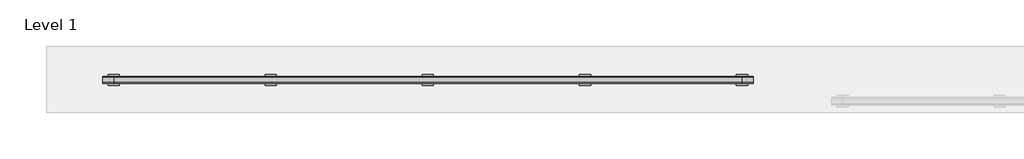
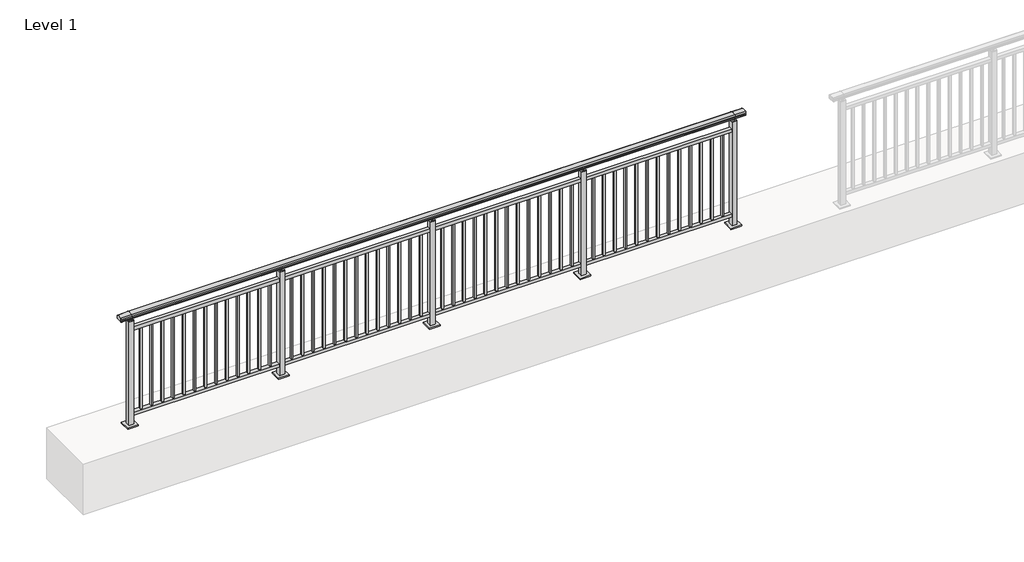
# One storey, part 5 of 64: 1 railing.
"""IFC4 building model written with IfcOpenShell, lengths in millimetres."""

from ifc_helpers import new_model, si_unit, frame, origin, origin_with_axes, place, context, project, spatial, polyline, circle_curve, outline, extrude, element, save
from ifc_brep_helpers import plane_surface, cylinder_surface, revolved_surface, advanced_brep

model = new_model("IFC4")

# Units and contexts
model_context = context("Model", 3, world=origin())
ifc_project = project(units=[si_unit("LENGTHUNIT", "METRE", prefix="MILLI")], contexts=[model_context])

# Site, building, storey
site = spatial("IfcSite", under=ifc_project)
building = spatial("IfcBuilding", under=site)
storey = spatial("IfcBuildingStorey", under=building, Name="Level 1", Elevation=0.0)

# Railing
placement = place(None, origin())
element("IfcRailing", 1, at=placement, inside=storey, context=model_context, shape_type="SolidModel", body=[
    advanced_brep(
    [(-100.0, 215.3633756, 1095.6691182), (-100.0, 220.1846828, 1081.1334092), (-100.0, 219.2413744, 1069.2539035), (-100.0, 221.1364177, 1061.4863007), (-100.0, 219.4894799, 1060.384124), (-100.0, 219.4894799, 1062.0), (-100.0, 160.8798858, 1062.0), (-100.0, 160.8798858, 1060.384124), (-100.0, 159.232948, 1061.4863007), (-100.0, 161.1279912, 1069.2539035), (-100.0, 160.1846828, 1081.1334092), (-100.0, 165.00599, 1095.6691182), (5700.0, 215.3633756, 1095.6691182), (5700.0, 165.00599, 1095.6691182), (5700.0, 160.1846828, 1081.1334092), (5700.0, 161.1279912, 1069.2539035), (5700.0, 159.232948, 1061.4863007), (5700.0, 160.8798858, 1060.384124), (5700.0, 160.8798858, 1062.0), (5700.0, 219.4894799, 1062.0), (5700.0, 219.4894799, 1060.384124), (5700.0, 221.1364177, 1061.4863007), (5700.0, 219.2413744, 1069.2539035), (5700.0, 220.1846828, 1081.1334092), (0.0, 215.3633756, 1095.6691182), (0.0, 220.1846828, 1081.1334092), (0.0, 219.2413744, 1069.2539035), (0.0, 221.1364177, 1061.4863007), (0.0, 219.4894799, 1060.384124), (0.0, 219.4894799, 1062.0), (0.0, 160.8798858, 1062.0), (0.0, 160.8798858, 1060.384124), (0.0, 159.232948, 1061.4863007), (0.0, 161.1279912, 1069.2539035), (0.0, 160.1846828, 1081.1334092), (0.0, 165.00599, 1095.6691182), (5600.0, 215.3633756, 1095.6691182), (5600.0, 220.1846828, 1081.1334092), (5600.0, 219.2413744, 1069.2539035), (5600.0, 221.1364177, 1061.4863007), (5600.0, 219.4894799, 1060.384124), (5600.0, 219.4894799, 1062.0), (5600.0, 160.8798858, 1062.0), (5600.0, 160.8798858, 1060.384124), (5600.0, 159.232948, 1061.4863007), (5600.0, 161.1279912, 1069.2539035), (5600.0, 160.1846828, 1081.1334092), (5600.0, 165.00599, 1095.6691182)],
    [
        (0, 1, circle_curve(frame((-100.0, 212.1223845, 1086.526686), z_axis=(-1.0, 0.0, 0.0), x_axis=(0.0, -1.0, 0.0)), 9.6999015)),
        (1, 2, circle_curve(frame((-100.0, 237.7252545, 1073.7633709), z_axis=(1.0, 0.0, 0.0), x_axis=(0.0, -1.0, 0.0)), 19.0260117)),
        (2, 3),
        (3, 4, circle_curve(frame((-100.0, 220.2772073, 1060.9886194), z_axis=(-1.0, 0.0, 0.0), x_axis=(0.0, -1.0, 0.0)), 0.9929396)),
        (4, 5),
        (5, 6),
        (6, 7),
        (7, 8, circle_curve(frame((-100.0, 160.0921584, 1060.9886194), z_axis=(-1.0, 0.0, 0.0), x_axis=(0.0, 1.0, 0.0)), 0.9929396)),
        (8, 9),
        (9, 10, circle_curve(frame((-100.0, 142.6441111, 1073.7633709), z_axis=(1.0, 0.0, 0.0), x_axis=(0.0, 1.0, 0.0)), 19.0260117)),
        (10, 11, circle_curve(frame((-100.0, 168.2469812, 1086.526686), z_axis=(-1.0, 0.0, 0.0), x_axis=(0.0, 1.0, 0.0)), 9.6999015)),
        (11, 0, circle_curve(frame((-100.0, 190.1846828, 1024.6431628), z_axis=(-1.0, 0.0, 0.0), x_axis=(0.0, 1.0, 0.0)), 75.3568372)),
        (12, 13, circle_curve(frame((5700.0, 190.1846828, 1024.6431628), z_axis=(1.0, 0.0, 0.0), x_axis=(0.0, 1.0, 0.0)), 75.3568372)),
        (13, 14, circle_curve(frame((5700.0, 168.2469812, 1086.526686), z_axis=(1.0, 0.0, 0.0), x_axis=(0.0, 1.0, 0.0)), 9.6999015)),
        (14, 15, circle_curve(frame((5700.0, 142.6441111, 1073.7633709), z_axis=(-1.0, 0.0, 0.0), x_axis=(0.0, 1.0, 0.0)), 19.0260117)),
        (15, 16),
        (16, 17, circle_curve(frame((5700.0, 160.0921584, 1060.9886194), z_axis=(1.0, 0.0, 0.0), x_axis=(0.0, 1.0, 0.0)), 0.9929396)),
        (17, 18),
        (18, 19),
        (19, 20),
        (20, 21, circle_curve(frame((5700.0, 220.2772073, 1060.9886194), z_axis=(1.0, 0.0, 0.0), x_axis=(0.0, -1.0, 0.0)), 0.9929396)),
        (21, 22),
        (22, 23, circle_curve(frame((5700.0, 237.7252545, 1073.7633709), z_axis=(-1.0, 0.0, 0.0), x_axis=(0.0, -1.0, 0.0)), 19.0260117)),
        (23, 12, circle_curve(frame((5700.0, 212.1223845, 1086.526686), z_axis=(1.0, 0.0, 0.0), x_axis=(0.0, -1.0, 0.0)), 9.6999015)),
        (0, 24),
        (24, 25, circle_curve(frame((0.0, 212.1223845, 1086.526686), z_axis=(-1.0, 0.0, 0.0), x_axis=(0.0, -1.0, 0.0)), 9.6999015)),
        (25, 1),
        (25, 26, circle_curve(frame((0.0, 237.7252545, 1073.7633709), z_axis=(1.0, 0.0, 0.0), x_axis=(0.0, -1.0, 0.0)), 19.0260117)),
        (26, 2),
        (26, 27),
        (27, 3),
        (27, 28, circle_curve(frame((0.0, 220.2772073, 1060.9886194), z_axis=(-1.0, 0.0, 0.0), x_axis=(0.0, -1.0, 0.0)), 0.9929396)),
        (28, 4),
        (28, 29),
        (29, 5),
        (29, 30),
        (30, 6),
        (30, 31),
        (31, 7),
        (31, 32, circle_curve(frame((0.0, 160.0921584, 1060.9886194), z_axis=(-1.0, 0.0, 0.0), x_axis=(0.0, 1.0, 0.0)), 0.9929396)),
        (32, 8),
        (32, 33),
        (33, 9),
        (33, 34, circle_curve(frame((0.0, 142.6441111, 1073.7633709), z_axis=(1.0, 0.0, 0.0), x_axis=(0.0, 1.0, 0.0)), 19.0260117)),
        (34, 10),
        (34, 35, circle_curve(frame((0.0, 168.2469812, 1086.526686), z_axis=(-1.0, 0.0, 0.0), x_axis=(0.0, 1.0, 0.0)), 9.6999015)),
        (35, 11),
        (35, 24, circle_curve(frame((0.0, 190.1846828, 1024.6431628), z_axis=(-1.0, 0.0, 0.0), x_axis=(0.0, 1.0, 0.0)), 75.3568372)),
        (24, 36),
        (36, 37, circle_curve(frame((5600.0, 212.1223845, 1086.526686), z_axis=(-1.0, 0.0, 0.0), x_axis=(0.0, -1.0, 0.0)), 9.6999015)),
        (37, 25),
        (37, 38, circle_curve(frame((5600.0, 237.7252545, 1073.7633709), z_axis=(1.0, 0.0, 0.0), x_axis=(0.0, -1.0, 0.0)), 19.0260117)),
        (38, 26),
        (38, 39),
        (39, 27),
        (39, 40, circle_curve(frame((5600.0, 220.2772073, 1060.9886194), z_axis=(-1.0, 0.0, 0.0), x_axis=(0.0, -1.0, 0.0)), 0.9929396)),
        (40, 28),
        (40, 41),
        (41, 29),
        (41, 42),
        (42, 30),
        (42, 43),
        (43, 31),
        (43, 44, circle_curve(frame((5600.0, 160.0921584, 1060.9886194), z_axis=(-1.0, 0.0, 0.0), x_axis=(0.0, 1.0, 0.0)), 0.9929396)),
        (44, 32),
        (44, 45),
        (45, 33),
        (45, 46, circle_curve(frame((5600.0, 142.6441111, 1073.7633709), z_axis=(1.0, 0.0, 0.0), x_axis=(0.0, 1.0, 0.0)), 19.0260117)),
        (46, 34),
        (46, 47, circle_curve(frame((5600.0, 168.2469812, 1086.526686), z_axis=(-1.0, 0.0, 0.0), x_axis=(0.0, 1.0, 0.0)), 9.6999015)),
        (47, 35),
        (47, 36, circle_curve(frame((5600.0, 190.1846828, 1024.6431628), z_axis=(-1.0, 0.0, 0.0), x_axis=(0.0, 1.0, 0.0)), 75.3568372)),
        (36, 12),
        (23, 37),
        (22, 38),
        (21, 39),
        (20, 40),
        (19, 41),
        (18, 42),
        (17, 43),
        (16, 44),
        (15, 45),
        (14, 46),
        (13, 47),
    ],
    [
        plane_surface(frame((-100.0, 190.1846828, 1100.0), z_axis=(-1.0, 0.0, 0.0), x_axis=(0.0, 1.0, 0.0))),
        plane_surface(frame((5700.0, 190.1846828, 1100.0), z_axis=(1.0, 0.0, 0.0), x_axis=(0.0, 1.0, 0.0))),
        cylinder_surface(frame((-100.0, 212.1223845, 1086.526686), z_axis=(-1.0, 0.0, 0.0), x_axis=(0.0, -1.0, 0.0)), 9.6999015),
        revolved_surface(polyline([(0.0, 218.6992428, 1073.7633709), (-100.0, 218.6992428, 1073.7633709)]), (-100.0, 237.7252545, 1073.7633709), (1.0, 0.0, 0.0)),
        plane_surface(frame((-100.0, 219.2413744, 1069.2539035), z_axis=(0.0, 0.9715057689301543, 0.2370159086125439), x_axis=(1.0, 0.0, 0.0))),
        cylinder_surface(frame((-100.0, 220.2772073, 1060.9886194), z_axis=(-1.0, 0.0, 0.0), x_axis=(0.0, -1.0, 0.0)), 0.9929396),
        plane_surface(frame((-100.0, 219.4894799, 1060.384124), z_axis=(0.0, -1.0, 0.0), x_axis=(1.0, 0.0, 0.0))),
        plane_surface(frame((-100.0, 219.4894799, 1062.0), z_axis=(0.0, 0.0, -1.0), x_axis=(1.0, 0.0, 0.0))),
        plane_surface(frame((-100.0, 160.8798858, 1062.0), z_axis=(0.0, 1.0, 0.0), x_axis=(1.0, 0.0, 0.0))),
        cylinder_surface(frame((-100.0, 160.0921584, 1060.9886194), z_axis=(-1.0, 0.0, 0.0), x_axis=(0.0, 1.0, 0.0)), 0.9929396),
        plane_surface(frame((-100.0, 159.232948, 1061.4863007), z_axis=(0.0, -0.9715057689301543, 0.2370159086125439), x_axis=(1.0, 0.0, 0.0))),
        revolved_surface(polyline([(0.0, 161.6701228, 1073.7633709), (-100.0, 161.6701228, 1073.7633709)]), (-100.0, 142.6441111, 1073.7633709), (1.0, 0.0, 0.0)),
        cylinder_surface(frame((-100.0, 168.2469812, 1086.526686), z_axis=(-1.0, 0.0, 0.0), x_axis=(0.0, 1.0, 0.0)), 9.6999015),
        cylinder_surface(frame((-100.0, 190.1846828, 1024.6431628), z_axis=(-1.0, 0.0, 0.0), x_axis=(0.0, 1.0, 0.0)), 75.3568372),
        cylinder_surface(frame((0.0, 212.1223845, 1086.526686), z_axis=(-1.0, 0.0, 0.0), x_axis=(0.0, -1.0, 0.0)), 9.6999015),
        revolved_surface(polyline([(5600.0, 218.6992428, 1073.7633709), (0.0, 218.6992428, 1073.7633709)]), (0.0, 237.7252545, 1073.7633709), (1.0, 0.0, 0.0)),
        plane_surface(frame((0.0, 219.2413744, 1069.2539035), z_axis=(0.0, 0.9715057689301543, 0.2370159086125439), x_axis=(1.0, 0.0, 0.0))),
        cylinder_surface(frame((0.0, 220.2772073, 1060.9886194), z_axis=(-1.0, 0.0, 0.0), x_axis=(0.0, -1.0, 0.0)), 0.9929396),
        plane_surface(frame((0.0, 219.4894799, 1060.384124), z_axis=(0.0, -1.0, 0.0), x_axis=(1.0, 0.0, 0.0))),
        plane_surface(frame((0.0, 219.4894799, 1062.0), z_axis=(0.0, 0.0, -1.0), x_axis=(1.0, 0.0, 0.0))),
        plane_surface(frame((0.0, 160.8798858, 1062.0), z_axis=(0.0, 1.0, 0.0), x_axis=(1.0, 0.0, 0.0))),
        cylinder_surface(frame((0.0, 160.0921584, 1060.9886194), z_axis=(-1.0, 0.0, 0.0), x_axis=(0.0, 1.0, 0.0)), 0.9929396),
        plane_surface(frame((0.0, 159.232948, 1061.4863007), z_axis=(0.0, -0.9715057689301543, 0.2370159086125439), x_axis=(1.0, 0.0, 0.0))),
        revolved_surface(polyline([(5600.0, 161.6701228, 1073.7633709), (0.0, 161.6701228, 1073.7633709)]), (0.0, 142.6441111, 1073.7633709), (1.0, 0.0, 0.0)),
        cylinder_surface(frame((0.0, 168.2469812, 1086.526686), z_axis=(-1.0, 0.0, 0.0), x_axis=(0.0, 1.0, 0.0)), 9.6999015),
        cylinder_surface(frame((0.0, 190.1846828, 1024.6431628), z_axis=(-1.0, 0.0, 0.0), x_axis=(0.0, 1.0, 0.0)), 75.3568372),
        cylinder_surface(frame((5600.0, 212.1223845, 1086.526686), z_axis=(-1.0, 0.0, 0.0), x_axis=(0.0, -1.0, 0.0)), 9.6999015),
        revolved_surface(polyline([(5700.0, 218.6992428, 1073.7633709), (5600.0, 218.6992428, 1073.7633709)]), (5600.0, 237.7252545, 1073.7633709), (1.0, 0.0, 0.0)),
        plane_surface(frame((5600.0, 219.2413744, 1069.2539035), z_axis=(0.0, 0.9715057689301543, 0.2370159086125439), x_axis=(1.0, 0.0, 0.0))),
        cylinder_surface(frame((5600.0, 220.2772073, 1060.9886194), z_axis=(-1.0, 0.0, 0.0), x_axis=(0.0, -1.0, 0.0)), 0.9929396),
        plane_surface(frame((5600.0, 219.4894799, 1060.384124), z_axis=(0.0, -1.0, 0.0), x_axis=(1.0, 0.0, 0.0))),
        plane_surface(frame((5600.0, 219.4894799, 1062.0), z_axis=(0.0, 0.0, -1.0), x_axis=(1.0, 0.0, 0.0))),
        plane_surface(frame((5600.0, 160.8798858, 1062.0), z_axis=(0.0, 1.0, 0.0), x_axis=(1.0, 0.0, 0.0))),
        cylinder_surface(frame((5600.0, 160.0921584, 1060.9886194), z_axis=(-1.0, 0.0, 0.0), x_axis=(0.0, 1.0, 0.0)), 0.9929396),
        plane_surface(frame((5600.0, 159.232948, 1061.4863007), z_axis=(0.0, -0.9715057689301543, 0.2370159086125439), x_axis=(1.0, 0.0, 0.0))),
        revolved_surface(polyline([(5700.0, 161.6701228, 1073.7633709), (5600.0, 161.6701228, 1073.7633709)]), (5600.0, 142.6441111, 1073.7633709), (1.0, 0.0, 0.0)),
        cylinder_surface(frame((5600.0, 168.2469812, 1086.526686), z_axis=(-1.0, 0.0, 0.0), x_axis=(0.0, 1.0, 0.0)), 9.6999015),
        cylinder_surface(frame((5600.0, 190.1846828, 1024.6431628), z_axis=(-1.0, 0.0, 0.0), x_axis=(0.0, 1.0, 0.0)), 75.3568372),
    ],
    [
        (0, [[1, 2, 3, 4, 5, 6, 7, 8, 9, 10, 11, 12]]),
        (1, [[13, 14, 15, 16, 17, 18, 19, 20, 21, 22, 23, 24]]),
        (2, [[-1, 25, 26, 27]]),
        (3, [[-2, -27, 28, 29]]),
        (4, [[-3, -29, 30, 31]]),
        (5, [[-4, -31, 32, 33]]),
        (6, [[-5, -33, 34, 35]]),
        (7, [[-6, -35, 36, 37]]),
        (8, [[-7, -37, 38, 39]]),
        (9, [[-8, -39, 40, 41]]),
        (10, [[-9, -41, 42, 43]]),
        (11, [[-10, -43, 44, 45]]),
        (12, [[-11, -45, 46, 47]]),
        (13, [[-12, -47, 48, -25]]),
        (14, [[-26, 49, 50, 51]]),
        (15, [[-28, -51, 52, 53]]),
        (16, [[-30, -53, 54, 55]]),
        (17, [[-32, -55, 56, 57]]),
        (18, [[-34, -57, 58, 59]]),
        (19, [[-36, -59, 60, 61]]),
        (20, [[-38, -61, 62, 63]]),
        (21, [[-40, -63, 64, 65]]),
        (22, [[-42, -65, 66, 67]]),
        (23, [[-44, -67, 68, 69]]),
        (24, [[-46, -69, 70, 71]]),
        (25, [[-48, -71, 72, -49]]),
        (26, [[-50, 73, -24, 74]]),
        (27, [[-52, -74, -23, 75]]),
        (28, [[-54, -75, -22, 76]]),
        (29, [[-56, -76, -21, 77]]),
        (30, [[-58, -77, -20, 78]]),
        (31, [[-60, -78, -19, 79]]),
        (32, [[-62, -79, -18, 80]]),
        (33, [[-64, -80, -17, 81]]),
        (34, [[-66, -81, -16, 82]]),
        (35, [[-68, -82, -15, 83]]),
        (36, [[-70, -83, -14, 84]]),
        (37, [[-72, -84, -13, -73]]),
    ],
),
    extrude(outline(polyline([(0.0, 172.6846828), (0.0, 207.6846828), (5600.0, 207.6846828), (5600.0, 172.6846828), (0.0, 172.6846828)])), frame((0.0, 0.0, 930.0), z_axis=(0.0, 0.0, 1.0), x_axis=(1.0, 0.0, 0.0)), (0.0, 0.0, 1.0), 30.0),
    extrude(outline(polyline([(0.0, 172.6846828), (0.0, 207.6846828), (5600.0, 207.6846828), (5600.0, 172.6846828), (0.0, 172.6846828)])), frame((0.0, 0.0, 95.0), z_axis=(0.0, 0.0, 1.0), x_axis=(1.0, 0.0, 0.0)), (0.0, 0.0, 1.0), 30.0),
    extrude(outline(polyline([(5508.5, 181.6846828), (5491.5, 181.6846828), (5491.5, 198.6846828), (5508.5, 198.6846828), (5508.5, 181.6846828)])), frame((0.0, 0.0, 125.0), z_axis=(0.0, 0.0, 1.0), x_axis=(1.0, 0.0, 0.0)), (0.0, 0.0, 1.0), 805.0),
    extrude(outline(polyline([(5408.5, 181.6846828), (5391.5, 181.6846828), (5391.5, 198.6846828), (5408.5, 198.6846828), (5408.5, 181.6846828)])), frame((0.0, 0.0, 125.0), z_axis=(0.0, 0.0, 1.0), x_axis=(1.0, 0.0, 0.0)), (0.0, 0.0, 1.0), 805.0),
    extrude(outline(polyline([(5308.5, 181.6846828), (5291.5, 181.6846828), (5291.5, 198.6846828), (5308.5, 198.6846828), (5308.5, 181.6846828)])), frame((0.0, 0.0, 125.0), z_axis=(0.0, 0.0, 1.0), x_axis=(1.0, 0.0, 0.0)), (0.0, 0.0, 1.0), 805.0),
    extrude(outline(polyline([(5208.5, 181.6846828), (5191.5, 181.6846828), (5191.5, 198.6846828), (5208.5, 198.6846828), (5208.5, 181.6846828)])), frame((0.0, 0.0, 125.0), z_axis=(0.0, 0.0, 1.0), x_axis=(1.0, 0.0, 0.0)), (0.0, 0.0, 1.0), 805.0),
    extrude(outline(polyline([(5108.5, 181.6846828), (5091.5, 181.6846828), (5091.5, 198.6846828), (5108.5, 198.6846828), (5108.5, 181.6846828)])), frame((0.0, 0.0, 125.0), z_axis=(0.0, 0.0, 1.0), x_axis=(1.0, 0.0, 0.0)), (0.0, 0.0, 1.0), 805.0),
    extrude(outline(polyline([(5008.5, 181.6846828), (4991.5, 181.6846828), (4991.5, 198.6846828), (5008.5, 198.6846828), (5008.5, 181.6846828)])), frame((0.0, 0.0, 125.0), z_axis=(0.0, 0.0, 1.0), x_axis=(1.0, 0.0, 0.0)), (0.0, 0.0, 1.0), 805.0),
    extrude(outline(polyline([(4908.5, 181.6846828), (4891.5, 181.6846828), (4891.5, 198.6846828), (4908.5, 198.6846828), (4908.5, 181.6846828)])), frame((0.0, 0.0, 125.0), z_axis=(0.0, 0.0, 1.0), x_axis=(1.0, 0.0, 0.0)), (0.0, 0.0, 1.0), 805.0),
    extrude(outline(polyline([(4808.5, 181.6846828), (4791.5, 181.6846828), (4791.5, 198.6846828), (4808.5, 198.6846828), (4808.5, 181.6846828)])), frame((0.0, 0.0, 125.0), z_axis=(0.0, 0.0, 1.0), x_axis=(1.0, 0.0, 0.0)), (0.0, 0.0, 1.0), 805.0),
    extrude(outline(polyline([(4708.5, 181.6846828), (4691.5, 181.6846828), (4691.5, 198.6846828), (4708.5, 198.6846828), (4708.5, 181.6846828)])), frame((0.0, 0.0, 125.0), z_axis=(0.0, 0.0, 1.0), x_axis=(1.0, 0.0, 0.0)), (0.0, 0.0, 1.0), 805.0),
    extrude(outline(polyline([(4608.5, 181.6846828), (4591.5, 181.6846828), (4591.5, 198.6846828), (4608.5, 198.6846828), (4608.5, 181.6846828)])), frame((0.0, 0.0, 125.0), z_axis=(0.0, 0.0, 1.0), x_axis=(1.0, 0.0, 0.0)), (0.0, 0.0, 1.0), 805.0),
    extrude(outline(polyline([(4508.5, 181.6846828), (4491.5, 181.6846828), (4491.5, 198.6846828), (4508.5, 198.6846828), (4508.5, 181.6846828)])), frame((0.0, 0.0, 125.0), z_axis=(0.0, 0.0, 1.0), x_axis=(1.0, 0.0, 0.0)), (0.0, 0.0, 1.0), 805.0),
    extrude(outline(polyline([(4408.5, 181.6846828), (4391.5, 181.6846828), (4391.5, 198.6846828), (4408.5, 198.6846828), (4408.5, 181.6846828)])), frame((0.0, 0.0, 125.0), z_axis=(0.0, 0.0, 1.0), x_axis=(1.0, 0.0, 0.0)), (0.0, 0.0, 1.0), 805.0),
    extrude(outline(polyline([(4308.5, 181.6846828), (4291.5, 181.6846828), (4291.5, 198.6846828), (4308.5, 198.6846828), (4308.5, 181.6846828)])), frame((0.0, 0.0, 125.0), z_axis=(0.0, 0.0, 1.0), x_axis=(1.0, 0.0, 0.0)), (0.0, 0.0, 1.0), 805.0),
    extrude(outline(polyline([(4210.0, 200.1846828), (4210.0, 180.1846828), (4190.0, 180.1846828), (4190.0, 200.1846828), (4210.0, 200.1846828)])), frame((0.0, 0.0, 1035.0), z_axis=(0.0, 0.0, 1.0), x_axis=(1.0, 0.0, 0.0)), (0.0, 0.0, 1.0), 20.0),
    extrude(outline(polyline([(4222.5, 212.6846828), (4222.5, 167.6846828), (4177.5, 167.6846828), (4177.5, 212.6846828), (4222.5, 212.6846828)])), frame((0.0, 0.0, 1027.0), z_axis=(0.0, 0.0, 1.0), x_axis=(1.0, 0.0, 0.0)), (0.0, 0.0, 1.0), 8.0),
    extrude(outline(polyline([(4250.0, 240.1846828), (4250.0, 140.1846828), (4150.0, 140.1846828), (4150.0, 240.1846828), (4250.0, 240.1846828)])), origin_with_axes(), (0.0, 0.0, 1.0), 12.0),
    extrude(outline(polyline([(4222.5, 212.6846828), (4222.5, 167.6846828), (4177.5, 167.6846828), (4177.5, 212.6846828), (4222.5, 212.6846828)])), frame((0.0, 0.0, 12.0), z_axis=(0.0, 0.0, 1.0), x_axis=(1.0, 0.0, 0.0)), (0.0, 0.0, 1.0), 1015.0),
    extrude(outline(polyline([(4108.5, 181.6846828), (4091.5, 181.6846828), (4091.5, 198.6846828), (4108.5, 198.6846828), (4108.5, 181.6846828)])), frame((0.0, 0.0, 125.0), z_axis=(0.0, 0.0, 1.0), x_axis=(1.0, 0.0, 0.0)), (0.0, 0.0, 1.0), 805.0),
    extrude(outline(polyline([(4008.5, 181.6846828), (3991.5, 181.6846828), (3991.5, 198.6846828), (4008.5, 198.6846828), (4008.5, 181.6846828)])), frame((0.0, 0.0, 125.0), z_axis=(0.0, 0.0, 1.0), x_axis=(1.0, 0.0, 0.0)), (0.0, 0.0, 1.0), 805.0),
    extrude(outline(polyline([(3908.5, 181.6846828), (3891.5, 181.6846828), (3891.5, 198.6846828), (3908.5, 198.6846828), (3908.5, 181.6846828)])), frame((0.0, 0.0, 125.0), z_axis=(0.0, 0.0, 1.0), x_axis=(1.0, 0.0, 0.0)), (0.0, 0.0, 1.0), 805.0),
    extrude(outline(polyline([(3808.5, 181.6846828), (3791.5, 181.6846828), (3791.5, 198.6846828), (3808.5, 198.6846828), (3808.5, 181.6846828)])), frame((0.0, 0.0, 125.0), z_axis=(0.0, 0.0, 1.0), x_axis=(1.0, 0.0, 0.0)), (0.0, 0.0, 1.0), 805.0),
    extrude(outline(polyline([(3708.5, 181.6846828), (3691.5, 181.6846828), (3691.5, 198.6846828), (3708.5, 198.6846828), (3708.5, 181.6846828)])), frame((0.0, 0.0, 125.0), z_axis=(0.0, 0.0, 1.0), x_axis=(1.0, 0.0, 0.0)), (0.0, 0.0, 1.0), 805.0),
    extrude(outline(polyline([(3608.5, 181.6846828), (3591.5, 181.6846828), (3591.5, 198.6846828), (3608.5, 198.6846828), (3608.5, 181.6846828)])), frame((0.0, 0.0, 125.0), z_axis=(0.0, 0.0, 1.0), x_axis=(1.0, 0.0, 0.0)), (0.0, 0.0, 1.0), 805.0),
    extrude(outline(polyline([(3508.5, 181.6846828), (3491.5, 181.6846828), (3491.5, 198.6846828), (3508.5, 198.6846828), (3508.5, 181.6846828)])), frame((0.0, 0.0, 125.0), z_axis=(0.0, 0.0, 1.0), x_axis=(1.0, 0.0, 0.0)), (0.0, 0.0, 1.0), 805.0),
    extrude(outline(polyline([(3408.5, 181.6846828), (3391.5, 181.6846828), (3391.5, 198.6846828), (3408.5, 198.6846828), (3408.5, 181.6846828)])), frame((0.0, 0.0, 125.0), z_axis=(0.0, 0.0, 1.0), x_axis=(1.0, 0.0, 0.0)), (0.0, 0.0, 1.0), 805.0),
    extrude(outline(polyline([(3308.5, 181.6846828), (3291.5, 181.6846828), (3291.5, 198.6846828), (3308.5, 198.6846828), (3308.5, 181.6846828)])), frame((0.0, 0.0, 125.0), z_axis=(0.0, 0.0, 1.0), x_axis=(1.0, 0.0, 0.0)), (0.0, 0.0, 1.0), 805.0),
    extrude(outline(polyline([(3208.5, 181.6846828), (3191.5, 181.6846828), (3191.5, 198.6846828), (3208.5, 198.6846828), (3208.5, 181.6846828)])), frame((0.0, 0.0, 125.0), z_axis=(0.0, 0.0, 1.0), x_axis=(1.0, 0.0, 0.0)), (0.0, 0.0, 1.0), 805.0),
    extrude(outline(polyline([(3108.5, 181.6846828), (3091.5, 181.6846828), (3091.5, 198.6846828), (3108.5, 198.6846828), (3108.5, 181.6846828)])), frame((0.0, 0.0, 125.0), z_axis=(0.0, 0.0, 1.0), x_axis=(1.0, 0.0, 0.0)), (0.0, 0.0, 1.0), 805.0),
    extrude(outline(polyline([(3008.5, 181.6846828), (2991.5, 181.6846828), (2991.5, 198.6846828), (3008.5, 198.6846828), (3008.5, 181.6846828)])), frame((0.0, 0.0, 125.0), z_axis=(0.0, 0.0, 1.0), x_axis=(1.0, 0.0, 0.0)), (0.0, 0.0, 1.0), 805.0),
    extrude(outline(polyline([(2908.5, 181.6846828), (2891.5, 181.6846828), (2891.5, 198.6846828), (2908.5, 198.6846828), (2908.5, 181.6846828)])), frame((0.0, 0.0, 125.0), z_axis=(0.0, 0.0, 1.0), x_axis=(1.0, 0.0, 0.0)), (0.0, 0.0, 1.0), 805.0),
    extrude(outline(polyline([(2810.0, 200.1846828), (2810.0, 180.1846828), (2790.0, 180.1846828), (2790.0, 200.1846828), (2810.0, 200.1846828)])), frame((0.0, 0.0, 1035.0), z_axis=(0.0, 0.0, 1.0), x_axis=(1.0, 0.0, 0.0)), (0.0, 0.0, 1.0), 20.0),
    extrude(outline(polyline([(2822.5, 212.6846828), (2822.5, 167.6846828), (2777.5, 167.6846828), (2777.5, 212.6846828), (2822.5, 212.6846828)])), frame((0.0, 0.0, 1027.0), z_axis=(0.0, 0.0, 1.0), x_axis=(1.0, 0.0, 0.0)), (0.0, 0.0, 1.0), 8.0),
    extrude(outline(polyline([(2850.0, 240.1846828), (2850.0, 140.1846828), (2750.0, 140.1846828), (2750.0, 240.1846828), (2850.0, 240.1846828)])), origin_with_axes(), (0.0, 0.0, 1.0), 12.0),
    extrude(outline(polyline([(2822.5, 212.6846828), (2822.5, 167.6846828), (2777.5, 167.6846828), (2777.5, 212.6846828), (2822.5, 212.6846828)])), frame((0.0, 0.0, 12.0), z_axis=(0.0, 0.0, 1.0), x_axis=(1.0, 0.0, 0.0)), (0.0, 0.0, 1.0), 1015.0),
    extrude(outline(polyline([(2708.5, 181.6846828), (2691.5, 181.6846828), (2691.5, 198.6846828), (2708.5, 198.6846828), (2708.5, 181.6846828)])), frame((0.0, 0.0, 125.0), z_axis=(0.0, 0.0, 1.0), x_axis=(1.0, 0.0, 0.0)), (0.0, 0.0, 1.0), 805.0),
    extrude(outline(polyline([(2608.5, 181.6846828), (2591.5, 181.6846828), (2591.5, 198.6846828), (2608.5, 198.6846828), (2608.5, 181.6846828)])), frame((0.0, 0.0, 125.0), z_axis=(0.0, 0.0, 1.0), x_axis=(1.0, 0.0, 0.0)), (0.0, 0.0, 1.0), 805.0),
    extrude(outline(polyline([(2508.5, 181.6846828), (2491.5, 181.6846828), (2491.5, 198.6846828), (2508.5, 198.6846828), (2508.5, 181.6846828)])), frame((0.0, 0.0, 125.0), z_axis=(0.0, 0.0, 1.0), x_axis=(1.0, 0.0, 0.0)), (0.0, 0.0, 1.0), 805.0),
    extrude(outline(polyline([(2408.5, 181.6846828), (2391.5, 181.6846828), (2391.5, 198.6846828), (2408.5, 198.6846828), (2408.5, 181.6846828)])), frame((0.0, 0.0, 125.0), z_axis=(0.0, 0.0, 1.0), x_axis=(1.0, 0.0, 0.0)), (0.0, 0.0, 1.0), 805.0),
    extrude(outline(polyline([(2308.5, 181.6846828), (2291.5, 181.6846828), (2291.5, 198.6846828), (2308.5, 198.6846828), (2308.5, 181.6846828)])), frame((0.0, 0.0, 125.0), z_axis=(0.0, 0.0, 1.0), x_axis=(1.0, 0.0, 0.0)), (0.0, 0.0, 1.0), 805.0),
    extrude(outline(polyline([(2208.5, 181.6846828), (2191.5, 181.6846828), (2191.5, 198.6846828), (2208.5, 198.6846828), (2208.5, 181.6846828)])), frame((0.0, 0.0, 125.0), z_axis=(0.0, 0.0, 1.0), x_axis=(1.0, 0.0, 0.0)), (0.0, 0.0, 1.0), 805.0),
    extrude(outline(polyline([(2108.5, 181.6846828), (2091.5, 181.6846828), (2091.5, 198.6846828), (2108.5, 198.6846828), (2108.5, 181.6846828)])), frame((0.0, 0.0, 125.0), z_axis=(0.0, 0.0, 1.0), x_axis=(1.0, 0.0, 0.0)), (0.0, 0.0, 1.0), 805.0),
    extrude(outline(polyline([(2008.5, 181.6846828), (1991.5, 181.6846828), (1991.5, 198.6846828), (2008.5, 198.6846828), (2008.5, 181.6846828)])), frame((0.0, 0.0, 125.0), z_axis=(0.0, 0.0, 1.0), x_axis=(1.0, 0.0, 0.0)), (0.0, 0.0, 1.0), 805.0),
    extrude(outline(polyline([(1908.5, 181.6846828), (1891.5, 181.6846828), (1891.5, 198.6846828), (1908.5, 198.6846828), (1908.5, 181.6846828)])), frame((0.0, 0.0, 125.0), z_axis=(0.0, 0.0, 1.0), x_axis=(1.0, 0.0, 0.0)), (0.0, 0.0, 1.0), 805.0),
    extrude(outline(polyline([(1808.5, 181.6846828), (1791.5, 181.6846828), (1791.5, 198.6846828), (1808.5, 198.6846828), (1808.5, 181.6846828)])), frame((0.0, 0.0, 125.0), z_axis=(0.0, 0.0, 1.0), x_axis=(1.0, 0.0, 0.0)), (0.0, 0.0, 1.0), 805.0),
    extrude(outline(polyline([(1708.5, 181.6846828), (1691.5, 181.6846828), (1691.5, 198.6846828), (1708.5, 198.6846828), (1708.5, 181.6846828)])), frame((0.0, 0.0, 125.0), z_axis=(0.0, 0.0, 1.0), x_axis=(1.0, 0.0, 0.0)), (0.0, 0.0, 1.0), 805.0),
    extrude(outline(polyline([(1608.5, 181.6846828), (1591.5, 181.6846828), (1591.5, 198.6846828), (1608.5, 198.6846828), (1608.5, 181.6846828)])), frame((0.0, 0.0, 125.0), z_axis=(0.0, 0.0, 1.0), x_axis=(1.0, 0.0, 0.0)), (0.0, 0.0, 1.0), 805.0),
    extrude(outline(polyline([(1508.5, 181.6846828), (1491.5, 181.6846828), (1491.5, 198.6846828), (1508.5, 198.6846828), (1508.5, 181.6846828)])), frame((0.0, 0.0, 125.0), z_axis=(0.0, 0.0, 1.0), x_axis=(1.0, 0.0, 0.0)), (0.0, 0.0, 1.0), 805.0),
    extrude(outline(polyline([(1410.0, 200.1846828), (1410.0, 180.1846828), (1390.0, 180.1846828), (1390.0, 200.1846828), (1410.0, 200.1846828)])), frame((0.0, 0.0, 1035.0), z_axis=(0.0, 0.0, 1.0), x_axis=(1.0, 0.0, 0.0)), (0.0, 0.0, 1.0), 20.0),
    extrude(outline(polyline([(1422.5, 212.6846828), (1422.5, 167.6846828), (1377.5, 167.6846828), (1377.5, 212.6846828), (1422.5, 212.6846828)])), frame((0.0, 0.0, 1027.0), z_axis=(0.0, 0.0, 1.0), x_axis=(1.0, 0.0, 0.0)), (0.0, 0.0, 1.0), 8.0),
    extrude(outline(polyline([(1450.0, 240.1846828), (1450.0, 140.1846828), (1350.0, 140.1846828), (1350.0, 240.1846828), (1450.0, 240.1846828)])), origin_with_axes(), (0.0, 0.0, 1.0), 12.0),
    extrude(outline(polyline([(1422.5, 212.6846828), (1422.5, 167.6846828), (1377.5, 167.6846828), (1377.5, 212.6846828), (1422.5, 212.6846828)])), frame((0.0, 0.0, 12.0), z_axis=(0.0, 0.0, 1.0), x_axis=(1.0, 0.0, 0.0)), (0.0, 0.0, 1.0), 1015.0),
    extrude(outline(polyline([(1308.5, 181.6846828), (1291.5, 181.6846828), (1291.5, 198.6846828), (1308.5, 198.6846828), (1308.5, 181.6846828)])), frame((0.0, 0.0, 125.0), z_axis=(0.0, 0.0, 1.0), x_axis=(1.0, 0.0, 0.0)), (0.0, 0.0, 1.0), 805.0),
    extrude(outline(polyline([(1208.5, 181.6846828), (1191.5, 181.6846828), (1191.5, 198.6846828), (1208.5, 198.6846828), (1208.5, 181.6846828)])), frame((0.0, 0.0, 125.0), z_axis=(0.0, 0.0, 1.0), x_axis=(1.0, 0.0, 0.0)), (0.0, 0.0, 1.0), 805.0),
    extrude(outline(polyline([(1108.5, 181.6846828), (1091.5, 181.6846828), (1091.5, 198.6846828), (1108.5, 198.6846828), (1108.5, 181.6846828)])), frame((0.0, 0.0, 125.0), z_axis=(0.0, 0.0, 1.0), x_axis=(1.0, 0.0, 0.0)), (0.0, 0.0, 1.0), 805.0),
    extrude(outline(polyline([(1008.5, 181.6846828), (991.5, 181.6846828), (991.5, 198.6846828), (1008.5, 198.6846828), (1008.5, 181.6846828)])), frame((0.0, 0.0, 125.0), z_axis=(0.0, 0.0, 1.0), x_axis=(1.0, 0.0, 0.0)), (0.0, 0.0, 1.0), 805.0),
    extrude(outline(polyline([(908.5, 181.6846828), (891.5, 181.6846828), (891.5, 198.6846828), (908.5, 198.6846828), (908.5, 181.6846828)])), frame((0.0, 0.0, 125.0), z_axis=(0.0, 0.0, 1.0), x_axis=(1.0, 0.0, 0.0)), (0.0, 0.0, 1.0), 805.0),
    extrude(outline(polyline([(808.5, 181.6846828), (791.5, 181.6846828), (791.5, 198.6846828), (808.5, 198.6846828), (808.5, 181.6846828)])), frame((0.0, 0.0, 125.0), z_axis=(0.0, 0.0, 1.0), x_axis=(1.0, 0.0, 0.0)), (0.0, 0.0, 1.0), 805.0),
    extrude(outline(polyline([(708.5, 181.6846828), (691.5, 181.6846828), (691.5, 198.6846828), (708.5, 198.6846828), (708.5, 181.6846828)])), frame((0.0, 0.0, 125.0), z_axis=(0.0, 0.0, 1.0), x_axis=(1.0, 0.0, 0.0)), (0.0, 0.0, 1.0), 805.0),
    extrude(outline(polyline([(608.5, 181.6846828), (591.5, 181.6846828), (591.5, 198.6846828), (608.5, 198.6846828), (608.5, 181.6846828)])), frame((0.0, 0.0, 125.0), z_axis=(0.0, 0.0, 1.0), x_axis=(1.0, 0.0, 0.0)), (0.0, 0.0, 1.0), 805.0),
    extrude(outline(polyline([(508.5, 181.6846828), (491.5, 181.6846828), (491.5, 198.6846828), (508.5, 198.6846828), (508.5, 181.6846828)])), frame((0.0, 0.0, 125.0), z_axis=(0.0, 0.0, 1.0), x_axis=(1.0, 0.0, 0.0)), (0.0, 0.0, 1.0), 805.0),
    extrude(outline(polyline([(408.5, 181.6846828), (391.5, 181.6846828), (391.5, 198.6846828), (408.5, 198.6846828), (408.5, 181.6846828)])), frame((0.0, 0.0, 125.0), z_axis=(0.0, 0.0, 1.0), x_axis=(1.0, 0.0, 0.0)), (0.0, 0.0, 1.0), 805.0),
    extrude(outline(polyline([(308.5, 181.6846828), (291.5, 181.6846828), (291.5, 198.6846828), (308.5, 198.6846828), (308.5, 181.6846828)])), frame((0.0, 0.0, 125.0), z_axis=(0.0, 0.0, 1.0), x_axis=(1.0, 0.0, 0.0)), (0.0, 0.0, 1.0), 805.0),
    extrude(outline(polyline([(208.5, 181.6846828), (191.5, 181.6846828), (191.5, 198.6846828), (208.5, 198.6846828), (208.5, 181.6846828)])), frame((0.0, 0.0, 125.0), z_axis=(0.0, 0.0, 1.0), x_axis=(1.0, 0.0, 0.0)), (0.0, 0.0, 1.0), 805.0),
    extrude(outline(polyline([(108.5, 181.6846828), (91.5, 181.6846828), (91.5, 198.6846828), (108.5, 198.6846828), (108.5, 181.6846828)])), frame((0.0, 0.0, 125.0), z_axis=(0.0, 0.0, 1.0), x_axis=(1.0, 0.0, 0.0)), (0.0, 0.0, 1.0), 805.0),
    extrude(outline(polyline([(5610.0, 200.1846828), (5610.0, 180.1846828), (5590.0, 180.1846828), (5590.0, 200.1846828), (5610.0, 200.1846828)])), frame((0.0, 0.0, 1035.0), z_axis=(0.0, 0.0, 1.0), x_axis=(1.0, 0.0, 0.0)), (0.0, 0.0, 1.0), 20.0),
    extrude(outline(polyline([(5622.5, 212.6846828), (5622.5, 167.6846828), (5577.5, 167.6846828), (5577.5, 212.6846828), (5622.5, 212.6846828)])), frame((0.0, 0.0, 1027.0), z_axis=(0.0, 0.0, 1.0), x_axis=(1.0, 0.0, 0.0)), (0.0, 0.0, 1.0), 8.0),
    extrude(outline(polyline([(5650.0, 240.1846828), (5650.0, 140.1846828), (5550.0, 140.1846828), (5550.0, 240.1846828), (5650.0, 240.1846828)])), origin_with_axes(), (0.0, 0.0, 1.0), 12.0),
    extrude(outline(polyline([(5622.5, 212.6846828), (5622.5, 167.6846828), (5577.5, 167.6846828), (5577.5, 212.6846828), (5622.5, 212.6846828)])), frame((0.0, 0.0, 12.0), z_axis=(0.0, 0.0, 1.0), x_axis=(1.0, 0.0, 0.0)), (0.0, 0.0, 1.0), 1015.0),
    extrude(outline(polyline([(10.0, 200.1846828), (10.0, 180.1846828), (-10.0, 180.1846828), (-10.0, 200.1846828), (10.0, 200.1846828)])), frame((0.0, 0.0, 1035.0), z_axis=(0.0, 0.0, 1.0), x_axis=(1.0, 0.0, 0.0)), (0.0, 0.0, 1.0), 20.0),
    extrude(outline(polyline([(22.5, 212.6846828), (22.5, 167.6846828), (-22.5, 167.6846828), (-22.5, 212.6846828), (22.5, 212.6846828)])), frame((0.0, 0.0, 1027.0), z_axis=(0.0, 0.0, 1.0), x_axis=(1.0, 0.0, 0.0)), (0.0, 0.0, 1.0), 8.0),
    extrude(outline(polyline([(50.0, 240.1846828), (50.0, 140.1846828), (-50.0, 140.1846828), (-50.0, 240.1846828), (50.0, 240.1846828)])), origin_with_axes(), (0.0, 0.0, 1.0), 12.0),
    extrude(outline(polyline([(22.5, 212.6846828), (22.5, 167.6846828), (-22.5, 167.6846828), (-22.5, 212.6846828), (22.5, 212.6846828)])), frame((0.0, 0.0, 12.0), z_axis=(0.0, 0.0, 1.0), x_axis=(1.0, 0.0, 0.0)), (0.0, 0.0, 1.0), 1015.0),
])

save(model, "model.ifc")
